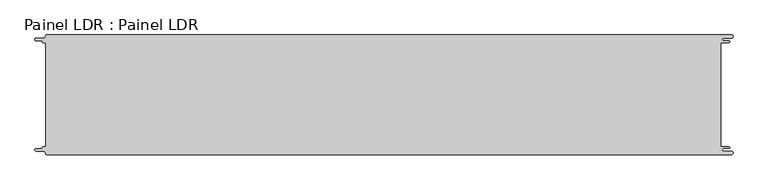
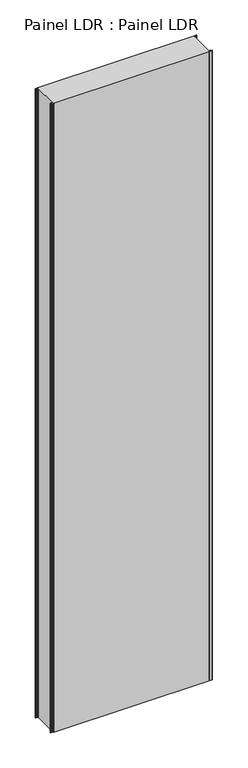
"""IFC4 building model written with IfcOpenShell, lengths in millimetres: proxy geometry, Painel LDR : Painel LDR."""

from ifc_helpers import new_model, si_unit, frame, origin, place, context, project, spatial, polyline, circle_curve, source, transform, mapped, element, save
from ifc_brep_helpers import plane_surface, cylinder_surface, revolved_surface, advanced_brep


def painel_ldr_painel_ldr_c024daed(model_context):
    return source(origin(), model_context, "Body", "AdvancedBrep", [
        advanced_brep(
        [(-579.5093748, -87.3, 4800.0), (-580.1093748, -87.9, 4800.0), (-580.1093748, -88.7085184, 4800.0), (-581.5093751, -90.1085187, 4800.0), (-590.4875, -90.1085187, 4800.0), (-590.4875, -94.5085185, 4800.0), (-578.471875, -94.5085185, 4800.0), (-574.921875, -98.0585185, 4800.0), (-572.971875, -100.0, 4800.0), (572.284375, -100.0, 4800.0), (572.284375, -94.725, 4800.0), (559.378125, -94.725, 4800.0), (559.378125, -89.875, 4800.0), (568.0406253, -89.875, 4800.0), (568.0406253, -87.3, 4800.0), (554.1906253, -87.3, 4800.0), (554.1906253, 87.3, 4800.0), (568.0406253, 87.3, 4800.0), (568.0406253, 89.875, 4800.0), (559.378125, 89.875, 4800.0), (559.378125, 94.725, 4800.0), (572.284375, 94.725, 4800.0), (572.284375, 100.0, 4800.0), (-572.971875, 100.0, 4800.0), (-574.921875, 98.05, 4800.0), (-578.471875, 94.5085185, 4800.0), (-590.4875, 94.5085185, 4800.0), (-590.4875, 90.1085185, 4800.0), (-581.5093753, 90.1085185, 4800.0), (-580.1093753, 88.7085185, 4800.0), (-580.1093753, 87.9, 4800.0), (-579.5093748, 87.2999995, 4800.0), (-574.2218362, 87.2999995, 4800.0), (-574.2218362, -87.3, 4800.0), (-579.5093748, -87.3, 0.0), (-574.2218362, -87.3, 0.0), (-574.2218362, 87.2999995, 0.0), (-579.5093748, 87.2999995, 0.0), (-580.1093753, 87.9, 0.0), (-580.1093753, 88.7085185, 0.0), (-581.5093753, 90.1085185, 0.0), (-590.4875, 90.1085185, 0.0), (-590.4875, 94.5085185, 0.0), (-578.471875, 94.5085185, 0.0), (-574.921875, 98.0585185, 0.0), (-572.971875, 100.0, 0.0), (572.284375, 100.0, 0.0), (572.284375, 94.725, 0.0), (559.378125, 94.725, 0.0), (559.378125, 89.875, 0.0), (568.0406253, 89.875, 0.0), (568.0406253, 87.3, 0.0), (554.1906253, 87.3, 0.0), (554.1906253, -87.3, 0.0), (568.0406253, -87.3, 0.0), (568.0406253, -89.875, 0.0), (559.378125, -89.875, 0.0), (559.378125, -94.725, 0.0), (572.284375, -94.725, 0.0), (572.284375, -100.0, 0.0), (-572.971875, -100.0, 0.0), (-574.921875, -98.05, 0.0), (-578.471875, -94.5085185, 0.0), (-590.4875, -94.5085185, 0.0), (-590.4875, -90.1085187, 0.0), (-581.5093751, -90.1085187, 0.0), (-580.1093748, -88.7085184, 0.0), (-580.1093748, -87.9, 0.0)],
        [
            (0, 1, circle_curve(frame((-579.5093748, -87.9, 4800.0), z_axis=(0.0, 0.0, 1.0), x_axis=(1.0, 0.0, 0.0)), 0.6)),
            (1, 2),
            (2, 3, circle_curve(frame((-581.5093751, -88.7085184, 4800.0), z_axis=(0.0, 0.0, -1.0), x_axis=(1.0, 0.0, 0.0)), 1.4000003)),
            (3, 4),
            (4, 5, circle_curve(frame((-590.4875, -92.3085186, 4800.0), z_axis=(0.0, 0.0, 1.0), x_axis=(1.0, 0.0, 0.0)), 2.1999999)),
            (5, 6),
            (6, 7, circle_curve(frame((-578.471875, -98.0585185, 4800.0), z_axis=(0.0, 0.0, -1.0), x_axis=(1.0, 0.0, 0.0)), 3.55)),
            (7, 8, circle_curve(frame((-572.971875, -98.05, 4800.0), z_axis=(0.0, 0.0, 1.0), x_axis=(1.0, 0.0, 0.0)), 1.95)),
            (8, 9),
            (9, 10, circle_curve(frame((572.284375, -97.3625, 4800.0), z_axis=(0.0, 0.0, 1.0), x_axis=(1.0, 0.0, 0.0)), 2.6375)),
            (10, 11),
            (11, 12, circle_curve(frame((559.378125, -92.3, 4800.0), z_axis=(0.0, 0.0, -1.0), x_axis=(1.0, 0.0, 0.0)), 2.425)),
            (12, 13),
            (13, 14, circle_curve(frame((568.0406253, -88.5875, 4800.0), z_axis=(0.0, 0.0, 1.0), x_axis=(1.0, 0.0, 0.0)), 1.2875)),
            (14, 15),
            (15, 16),
            (16, 17),
            (17, 18, circle_curve(frame((568.0406253, 88.5875, 4800.0), z_axis=(0.0, 0.0, 1.0), x_axis=(1.0, 0.0, 0.0)), 1.2875)),
            (18, 19),
            (19, 20, circle_curve(frame((559.378125, 92.3, 4800.0), z_axis=(0.0, 0.0, -1.0), x_axis=(1.0, 0.0, 0.0)), 2.425)),
            (20, 21),
            (21, 22, circle_curve(frame((572.284375, 97.3625, 4800.0), z_axis=(0.0, 0.0, 1.0), x_axis=(1.0, 0.0, 0.0)), 2.6375)),
            (22, 23),
            (23, 24, circle_curve(frame((-572.971875, 98.05, 4800.0), z_axis=(0.0, 0.0, 1.0), x_axis=(1.0, 0.0, 0.0)), 1.95)),
            (24, 25, circle_curve(frame((-578.471875, 98.0585185, 4800.0), z_axis=(0.0, 0.0, -1.0), x_axis=(1.0, 0.0, 0.0)), 3.55)),
            (25, 26),
            (26, 27, circle_curve(frame((-590.4875, 92.3085185, 4800.0), z_axis=(0.0, 0.0, 1.0), x_axis=(1.0, 0.0, 0.0)), 2.2)),
            (27, 28),
            (28, 29, circle_curve(frame((-581.5093753, 88.7085185, 4800.0), z_axis=(0.0, 0.0, -1.0), x_axis=(1.0, 0.0, 0.0)), 1.4)),
            (29, 30),
            (30, 31, circle_curve(frame((-579.5093748, 87.9, 4800.0), z_axis=(0.0, 0.0, 1.0), x_axis=(1.0, 0.0, 0.0)), 0.6000005)),
            (31, 32),
            (32, 33),
            (33, 0),
            (34, 35),
            (35, 36),
            (36, 37),
            (37, 38, circle_curve(frame((-579.5093748, 87.9, 0.0), z_axis=(0.0, 0.0, -1.0), x_axis=(1.0, 0.0, 0.0)), 0.6000005)),
            (38, 39),
            (39, 40, circle_curve(frame((-581.5093753, 88.7085185, 0.0), z_axis=(0.0, 0.0, 1.0), x_axis=(1.0, 0.0, 0.0)), 1.4)),
            (40, 41),
            (41, 42, circle_curve(frame((-590.4875, 92.3085185, 0.0), z_axis=(0.0, 0.0, -1.0), x_axis=(1.0, 0.0, 0.0)), 2.2)),
            (42, 43),
            (43, 44, circle_curve(frame((-578.471875, 98.0585185, 0.0), z_axis=(0.0, 0.0, 1.0), x_axis=(1.0, 0.0, 0.0)), 3.55)),
            (44, 45, circle_curve(frame((-572.971875, 98.05, 0.0), z_axis=(0.0, 0.0, -1.0), x_axis=(1.0, 0.0, 0.0)), 1.95)),
            (45, 46),
            (46, 47, circle_curve(frame((572.284375, 97.3625, 0.0), z_axis=(0.0, 0.0, -1.0), x_axis=(1.0, 0.0, 0.0)), 2.6375)),
            (47, 48),
            (48, 49, circle_curve(frame((559.378125, 92.3, 0.0), z_axis=(0.0, 0.0, 1.0), x_axis=(1.0, 0.0, 0.0)), 2.425)),
            (49, 50),
            (50, 51, circle_curve(frame((568.0406253, 88.5875, 0.0), z_axis=(0.0, 0.0, -1.0), x_axis=(1.0, 0.0, 0.0)), 1.2875)),
            (51, 52),
            (52, 53),
            (53, 54),
            (54, 55, circle_curve(frame((568.0406253, -88.5875, 0.0), z_axis=(0.0, 0.0, -1.0), x_axis=(1.0, 0.0, 0.0)), 1.2875)),
            (55, 56),
            (56, 57, circle_curve(frame((559.378125, -92.3, 0.0), z_axis=(0.0, 0.0, 1.0), x_axis=(1.0, 0.0, 0.0)), 2.425)),
            (57, 58),
            (58, 59, circle_curve(frame((572.284375, -97.3625, 0.0), z_axis=(0.0, 0.0, -1.0), x_axis=(1.0, 0.0, 0.0)), 2.6375)),
            (59, 60),
            (60, 61, circle_curve(frame((-572.971875, -98.05, 0.0), z_axis=(0.0, 0.0, -1.0), x_axis=(1.0, 0.0, 0.0)), 1.95)),
            (61, 62, circle_curve(frame((-578.471875, -98.0585185, 0.0), z_axis=(0.0, 0.0, 1.0), x_axis=(1.0, 0.0, 0.0)), 3.55)),
            (62, 63),
            (63, 64, circle_curve(frame((-590.4875, -92.3085186, 0.0), z_axis=(0.0, 0.0, -1.0), x_axis=(1.0, 0.0, 0.0)), 2.1999999)),
            (64, 65),
            (65, 66, circle_curve(frame((-581.5093751, -88.7085184, 0.0), z_axis=(0.0, 0.0, 1.0), x_axis=(1.0, 0.0, 0.0)), 1.4000003)),
            (66, 67),
            (67, 34, circle_curve(frame((-579.5093748, -87.9, 0.0), z_axis=(0.0, 0.0, -1.0), x_axis=(1.0, 0.0, 0.0)), 0.6)),
            (33, 35),
            (34, 0),
            (32, 36),
            (31, 37),
            (30, 38),
            (29, 39),
            (28, 40),
            (27, 41),
            (26, 42),
            (25, 43),
            (24, 44),
            (23, 45),
            (22, 46),
            (15, 53),
            (52, 16),
            (14, 54),
            (13, 55),
            (12, 56),
            (11, 57),
            (10, 58),
            (9, 59),
            (8, 60),
            (7, 61),
            (6, 62),
            (5, 63),
            (4, 64),
            (3, 65),
            (2, 66),
            (1, 67),
            (21, 47),
            (20, 48),
            (19, 49),
            (18, 50),
            (17, 51),
        ],
        [
            plane_surface(frame((-574.2218362, -87.3, 4800.0), z_axis=(0.0, 0.0, 1.0), x_axis=(1.0, 0.0, 0.0))),
            plane_surface(frame((-574.2218362, -87.3, 0.0), z_axis=(0.0, 0.0, -1.0), x_axis=(-1.0, 0.0, 0.0))),
            plane_surface(frame((-579.5093748, -87.3, 4800.0), z_axis=(0.0, 1.0, 0.0), x_axis=(0.0, 0.0, -1.0))),
            plane_surface(frame((-574.2218362, -87.3, 4800.0), z_axis=(-1.0, 0.0, 0.0), x_axis=(0.0, 0.0, -1.0))),
            plane_surface(frame((-574.2218362, 87.2999995, 4800.0), z_axis=(0.0, -1.0, 0.0), x_axis=(0.0, 0.0, -1.0))),
            cylinder_surface(frame((-579.5093748, 87.9, 0.0), z_axis=(0.0, 0.0, 1.0), x_axis=(1.0, 0.0, 0.0)), 0.6000005),
            plane_surface(frame((-580.1093753, 87.9, 4800.0), z_axis=(-1.0, -1.757860866232952e-12, 0.0), x_axis=(0.0, 0.0, -1.0))),
            revolved_surface(polyline([(-580.1093753, 88.7085185, 0.0), (-580.1093753, 88.7085185, 4800.0)]), (-581.5093753, 88.7085185, 0.0), (0.0, 0.0, -1.0)),
            plane_surface(frame((-581.5093753, 90.1085185, 4800.0), z_axis=(0.0, -1.0, 0.0), x_axis=(0.0, 0.0, -1.0))),
            cylinder_surface(frame((-590.4875, 92.3085185, 0.0), z_axis=(0.0, 0.0, 1.0), x_axis=(1.0, 0.0, 0.0)), 2.2),
            plane_surface(frame((-590.4875, 94.5085185, 4800.0), z_axis=(0.0, 1.0, 0.0), x_axis=(0.0, 0.0, -1.0))),
            revolved_surface(polyline([(-574.921875, 98.0585185, 0.0), (-574.921875, 98.0585185, 4800.0)]), (-578.471875, 98.0585185, 0.0), (0.0, 0.0, -1.0)),
            cylinder_surface(frame((-572.971875, 98.05, 0.0), z_axis=(0.0, 0.0, 1.0), x_axis=(1.0, 0.0, 0.0)), 1.95),
            plane_surface(frame((-572.971875, 100.0, 4800.0), z_axis=(0.0, 1.0, 0.0), x_axis=(0.0, 0.0, -1.0))),
            plane_surface(frame((554.1906253, 87.3, 4800.0), z_axis=(1.0, 0.0, 0.0), x_axis=(0.0, 0.0, -1.0))),
            plane_surface(frame((554.1906253, -87.3, 4800.0), z_axis=(0.0, 1.0, 0.0), x_axis=(0.0, 0.0, -1.0))),
            cylinder_surface(frame((568.0406253, -88.5875, 0.0), z_axis=(0.0, 0.0, 1.0), x_axis=(1.0, 0.0, 0.0)), 1.2875),
            plane_surface(frame((568.0406253, -89.875, 4800.0), z_axis=(0.0, -1.0, 0.0), x_axis=(0.0, 0.0, -1.0))),
            revolved_surface(polyline([(561.8031249999999, -92.3, 0.0), (561.8031249999999, -92.3, 4800.0)]), (559.378125, -92.3, 0.0), (0.0, 0.0, -1.0)),
            plane_surface(frame((559.378125, -94.725, 4800.0), z_axis=(0.0, 1.0, 0.0), x_axis=(0.0, 0.0, -1.0))),
            cylinder_surface(frame((572.284375, -97.3625, 0.0), z_axis=(0.0, 0.0, 1.0), x_axis=(1.0, 0.0, 0.0)), 2.6375),
            plane_surface(frame((572.284375, -100.0, 4800.0), z_axis=(0.0, -1.0, 0.0), x_axis=(0.0, 0.0, -1.0))),
            cylinder_surface(frame((-572.971875, -98.05, 0.0), z_axis=(0.0, 0.0, 1.0), x_axis=(1.0, 0.0, 0.0)), 1.95),
            revolved_surface(polyline([(-574.921875, -98.0585185, 0.0), (-574.921875, -98.0585185, 4800.0)]), (-578.471875, -98.0585185, 0.0), (0.0, 0.0, -1.0)),
            plane_surface(frame((-578.471875, -94.5085185, 4800.0), z_axis=(0.0, -1.0, 0.0), x_axis=(0.0, 0.0, -1.0))),
            cylinder_surface(frame((-590.4875, -92.3085186, 0.0), z_axis=(0.0, 0.0, 1.0), x_axis=(1.0, 0.0, 0.0)), 2.1999999),
            plane_surface(frame((-590.4875, -90.1085187, 4800.0), z_axis=(0.0, 1.0, 0.0), x_axis=(0.0, 0.0, -1.0))),
            revolved_surface(polyline([(-580.1093748000001, -88.7085184, 0.0), (-580.1093748000001, -88.7085184, 4800.0)]), (-581.5093751, -88.7085184, 0.0), (0.0, 0.0, -1.0)),
            plane_surface(frame((-580.1093748, -88.7085184, 4800.0), z_axis=(-1.0, 0.0, 0.0), x_axis=(0.0, 0.0, -1.0))),
            cylinder_surface(frame((-579.5093748, -87.9, 0.0), z_axis=(0.0, 0.0, 1.0), x_axis=(1.0, 0.0, 0.0)), 0.6),
            cylinder_surface(frame((572.284375, 97.3625, 0.0), z_axis=(0.0, 0.0, 1.0), x_axis=(1.0, 0.0, 0.0)), 2.6375),
            plane_surface(frame((572.284375, 94.725, 4800.0), z_axis=(0.0, -1.0, 0.0), x_axis=(0.0, 0.0, -1.0))),
            revolved_surface(polyline([(561.8031249999999, 92.3, 0.0), (561.8031249999999, 92.3, 4800.0)]), (559.378125, 92.3, 0.0), (0.0, 0.0, -1.0)),
            plane_surface(frame((559.378125, 89.875, 4800.0), z_axis=(0.0, 1.0, 0.0), x_axis=(0.0, 0.0, -1.0))),
            cylinder_surface(frame((568.0406253, 88.5875, 0.0), z_axis=(0.0, 0.0, 1.0), x_axis=(1.0, 0.0, 0.0)), 1.2875),
            plane_surface(frame((568.0406253, 87.3, 4800.0), z_axis=(0.0, -1.0, 0.0), x_axis=(0.0, 0.0, -1.0))),
        ],
        [
            (0, [[1, 2, 3, 4, 5, 6, 7, 8, 9, 10, 11, 12, 13, 14, 15, 16, 17, 18, 19, 20, 21, 22, 23, 24, 25, 26, 27, 28, 29, 30, 31, 32, 33, 34]]),
            (1, [[35, 36, 37, 38, 39, 40, 41, 42, 43, 44, 45, 46, 47, 48, 49, 50, 51, 52, 53, 54, 55, 56, 57, 58, 59, 60, 61, 62, 63, 64, 65, 66, 67, 68]]),
            (2, [[69, -35, 70, -34]]),
            (3, [[71, -36, -69, -33]]),
            (4, [[72, -37, -71, -32]]),
            (5, [[73, -38, -72, -31]]),
            (6, [[74, -39, -73, -30]]),
            (7, [[75, -40, -74, -29]]),
            (8, [[76, -41, -75, -28]]),
            (9, [[77, -42, -76, -27]]),
            (10, [[78, -43, -77, -26]]),
            (11, [[79, -44, -78, -25]]),
            (12, [[80, -45, -79, -24]]),
            (13, [[81, -46, -80, -23]]),
            (14, [[82, -53, 83, -16]]),
            (15, [[84, -54, -82, -15]]),
            (16, [[85, -55, -84, -14]]),
            (17, [[86, -56, -85, -13]]),
            (18, [[87, -57, -86, -12]]),
            (19, [[88, -58, -87, -11]]),
            (20, [[89, -59, -88, -10]]),
            (21, [[90, -60, -89, -9]]),
            (22, [[91, -61, -90, -8]]),
            (23, [[92, -62, -91, -7]]),
            (24, [[93, -63, -92, -6]]),
            (25, [[94, -64, -93, -5]]),
            (26, [[95, -65, -94, -4]]),
            (27, [[96, -66, -95, -3]]),
            (28, [[97, -67, -96, -2]]),
            (29, [[-70, -68, -97, -1]]),
            (30, [[98, -47, -81, -22]]),
            (31, [[99, -48, -98, -21]]),
            (32, [[100, -49, -99, -20]]),
            (33, [[101, -50, -100, -19]]),
            (34, [[102, -51, -101, -18]]),
            (35, [[-83, -52, -102, -17]]),
        ],
    ),
    ])


if __name__ == "__main__":
    model = new_model("IFC4")
    model_context = context("Model", 3, world=origin())
    ifc_project = project(units=[si_unit("LENGTHUNIT", "METRE", prefix="MILLI")], contexts=[model_context])
    site = spatial("IfcSite", under=ifc_project)
    building = spatial("IfcBuilding", under=site)
    placement = place(None, origin())
    painel_ldr_painel_ldr_shape = painel_ldr_painel_ldr_c024daed(model_context)
    element("IfcBuildingElementProxy", 1, Name="Painel LDR : Painel LDR", ObjectType="Painel LDR : Painel LDR", at=placement, inside=building, context=model_context, shape_type="MappedRepresentation", body=[
        mapped(painel_ldr_painel_ldr_shape, transform((0.0, 0.0, 0.0), x_axis=(1.0, 0.0, 0.0), y_axis=(0.0, 1.0, 0.0), z_axis=(0.0, 0.0, 1.0))),
    ])
    save(model, "model.ifc")
